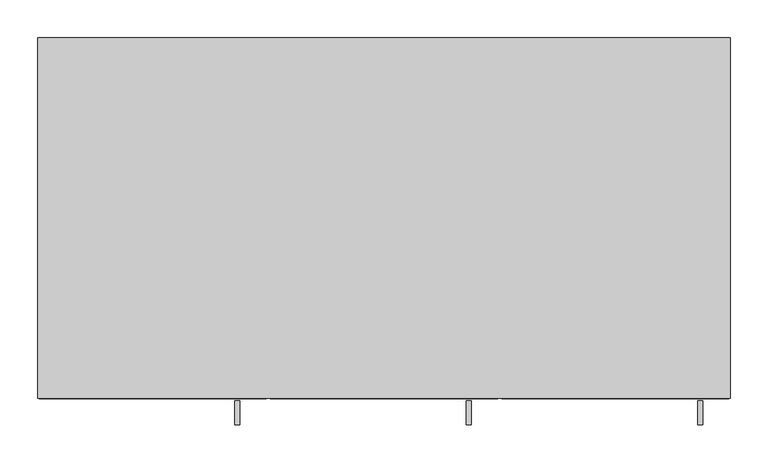
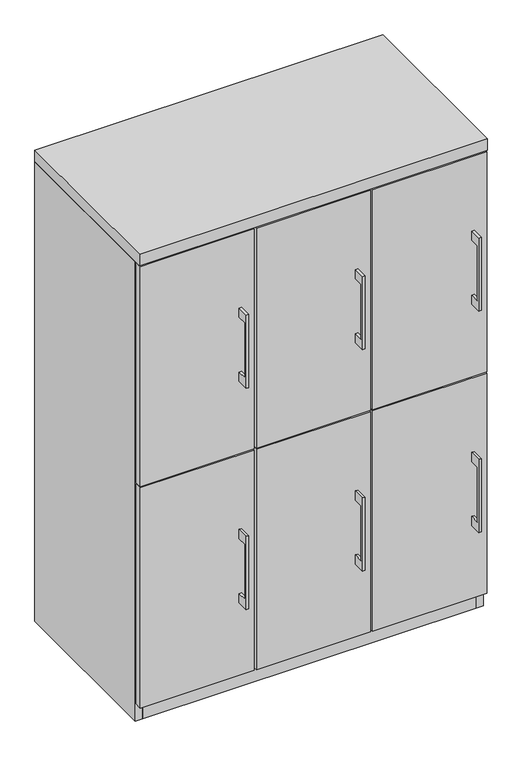
"""IFC4 building model written with IfcOpenShell, lengths in millimetres: furniture geometry."""

from ifc_helpers import new_model, si_unit, frame, origin, origin_with_axes, place, context, project, spatial, polyline, outline, extrude, source, transform, mapped, element, save


def furniture_a54eda8c(model_context):
    return source(origin(), model_context, "Body", "SweptSolid", [
        extrude(outline(polyline([(-479.425, 429.41875), (-504.8249758, 429.41875), (-504.8249758, 277.01875), (-479.425, 277.01875), (-479.425, 251.61875), (-511.1749879, 251.61875), (-511.1749879, 454.81875), (-479.425, 454.81875), (-479.425, 429.41875)])), frame((108.7437621, 0.0, 0.0), z_axis=(1.0, 0.0, 0.0), x_axis=(0.0, 1.0, 0.0)), (0.0, 0.0, 1.0), 6.3499758),
        extrude(outline(polyline([(150.01875, -476.25), (-150.01875, -476.25), (-150.01875, -457.2), (150.01875, -457.2), (150.01875, -476.25)])), frame((0.0, 0.0, 47.625), z_axis=(0.0, 0.0, 1.0), x_axis=(1.0, 0.0, 0.0)), (0.0, 0.0, 1.0), 611.1875),
        extrude(outline(polyline([(-479.425, 1043.78125), (-504.8249758, 1043.78125), (-504.8249758, 891.38125), (-479.425, 891.38125), (-479.425, 865.98125), (-511.1749879, 865.98125), (-511.1749879, 1069.18125), (-479.425, 1069.18125), (-479.425, 1043.78125)])), frame((108.7437621, 0.0, 0.0), z_axis=(1.0, 0.0, 0.0), x_axis=(0.0, 1.0, 0.0)), (0.0, 0.0, 1.0), 6.3499758),
        extrude(outline(polyline([(150.01875, -476.25), (-150.01875, -476.25), (-150.01875, -457.2), (150.01875, -457.2), (150.01875, -476.25)])), frame((0.0, 0.0, 661.9875), z_axis=(0.0, 0.0, 1.0), x_axis=(1.0, 0.0, 0.0)), (0.0, 0.0, 1.0), 611.1875),
        extrude(outline(polyline([(-479.425, 1043.78125), (-504.8249758, 1043.78125), (-504.8249758, 891.38125), (-479.425, 891.38125), (-479.425, 865.98125), (-511.1749879, 865.98125), (-511.1749879, 1069.18125), (-479.425, 1069.18125), (-479.425, 1043.78125)])), frame((414.3375121, 0.0, 0.0), z_axis=(1.0, 0.0, 0.0), x_axis=(0.0, 1.0, 0.0)), (0.0, 0.0, 1.0), 6.3499758),
        extrude(outline(polyline([(455.6125, -476.25), (155.575, -476.25), (155.575, -457.2), (455.6125, -457.2), (455.6125, -476.25)])), frame((0.0, 0.0, 661.9875), z_axis=(0.0, 0.0, 1.0), x_axis=(1.0, 0.0, 0.0)), (0.0, 0.0, 1.0), 611.1875),
        extrude(outline(polyline([(-479.425, 1043.78125), (-504.8249758, 1043.78125), (-504.8249758, 891.38125), (-479.425, 891.38125), (-479.425, 865.98125), (-511.1749879, 865.98125), (-511.1749879, 1069.18125), (-479.425, 1069.18125), (-479.425, 1043.78125)])), frame((-196.8499879, 0.0, 0.0), z_axis=(1.0, 0.0, 0.0), x_axis=(0.0, 1.0, 0.0)), (0.0, 0.0, 1.0), 6.3499758),
        extrude(outline(polyline([(-155.575, -476.25), (-455.6125, -476.25), (-455.6125, -457.2), (-155.575, -457.2), (-155.575, -476.25)])), frame((0.0, 0.0, 661.9875), z_axis=(0.0, 0.0, 1.0), x_axis=(1.0, 0.0, 0.0)), (0.0, 0.0, 1.0), 611.1875),
        extrude(outline(polyline([(-479.425, 429.41875), (-504.8249758, 429.41875), (-504.8249758, 277.01875), (-479.425, 277.01875), (-479.425, 251.61875), (-511.1749879, 251.61875), (-511.1749879, 454.81875), (-479.425, 454.81875), (-479.425, 429.41875)])), frame((414.3375121, 0.0, 0.0), z_axis=(1.0, 0.0, 0.0), x_axis=(0.0, 1.0, 0.0)), (0.0, 0.0, 1.0), 6.3499758),
        extrude(outline(polyline([(455.6125, -476.25), (155.575, -476.25), (155.575, -457.2), (455.6125, -457.2), (455.6125, -476.25)])), frame((0.0, 0.0, 47.625), z_axis=(0.0, 0.0, 1.0), x_axis=(1.0, 0.0, 0.0)), (0.0, 0.0, 1.0), 611.1875),
        extrude(outline(polyline([(-479.425, 429.41875), (-504.8249758, 429.41875), (-504.8249758, 277.01875), (-479.425, 277.01875), (-479.425, 251.61875), (-511.1749879, 251.61875), (-511.1749879, 454.81875), (-479.425, 454.81875), (-479.425, 429.41875)])), frame((-196.8499879, 0.0, 0.0), z_axis=(1.0, 0.0, 0.0), x_axis=(0.0, 1.0, 0.0)), (0.0, 0.0, 1.0), 6.3499758),
        extrude(outline(polyline([(-155.575, -476.25), (-455.6125, -476.25), (-455.6125, -457.2), (-155.575, -457.2), (-155.575, -476.25)])), frame((0.0, 0.0, 47.625), z_axis=(0.0, 0.0, 1.0), x_axis=(1.0, 0.0, 0.0)), (0.0, 0.0, 1.0), 611.1875),
        extrude(outline(polyline([(-142.875, -19.05), (-142.875, -457.2), (-161.925, -457.2), (-161.925, -19.05), (-142.875, -19.05)])), frame((0.0, 0.0, 47.625), z_axis=(0.0, 0.0, 1.0), x_axis=(1.0, 0.0, 0.0)), (0.0, 0.0, 1.0), 1228.725),
        extrude(outline(polyline([(161.925, -19.05), (161.925, -457.2), (142.875, -457.2), (142.875, -19.05), (161.925, -19.05)])), frame((0.0, 0.0, 47.625), z_axis=(0.0, 0.0, 1.0), x_axis=(1.0, 0.0, 0.0)), (0.0, 0.0, 1.0), 1228.725),
        extrude(outline(polyline([(438.15, -19.05), (438.15, -457.2), (-438.15, -457.2), (-438.15, -19.05), (438.15, -19.05)])), origin_with_axes(), (0.0, 0.0, 1.0), 47.625),
        extrude(outline(polyline([(457.2, 0.0), (457.2, -476.25), (-457.2, -476.25), (-457.2, 0.0), (457.2, 0.0)])), frame((0.0, 0.0, 1276.35), z_axis=(0.0, 0.0, 1.0), x_axis=(1.0, 0.0, 0.0)), (0.0, 0.0, 1.0), 31.75),
        extrude(outline(polyline([(457.2, 0.0), (457.2, -457.2), (438.15, -457.2), (438.15, -19.05), (-438.15, -19.05), (-438.15, -457.2), (-457.2, -457.2), (-457.2, 0.0), (457.2, 0.0)])), origin_with_axes(), (0.0, 0.0, 1.0), 1276.35),
    ])


if __name__ == "__main__":
    model = new_model("IFC4")
    model_context = context("Model", 3, world=origin())
    ifc_project = project(units=[si_unit("LENGTHUNIT", "METRE", prefix="MILLI")], contexts=[model_context])
    site = spatial("IfcSite", under=ifc_project)
    building = spatial("IfcBuilding", under=site)
    placement = place(None, origin())
    furniture_shape = furniture_a54eda8c(model_context)
    element("IfcFurniture", 1, at=placement, inside=building, context=model_context, shape_type="MappedRepresentation", body=[
        mapped(furniture_shape, transform((0.0, 0.0, 0.0), x_axis=(1.0, 0.0, 0.0), y_axis=(0.0, 1.0, 0.0), z_axis=(0.0, 0.0, 1.0))),
    ])
    save(model, "model.ifc")
